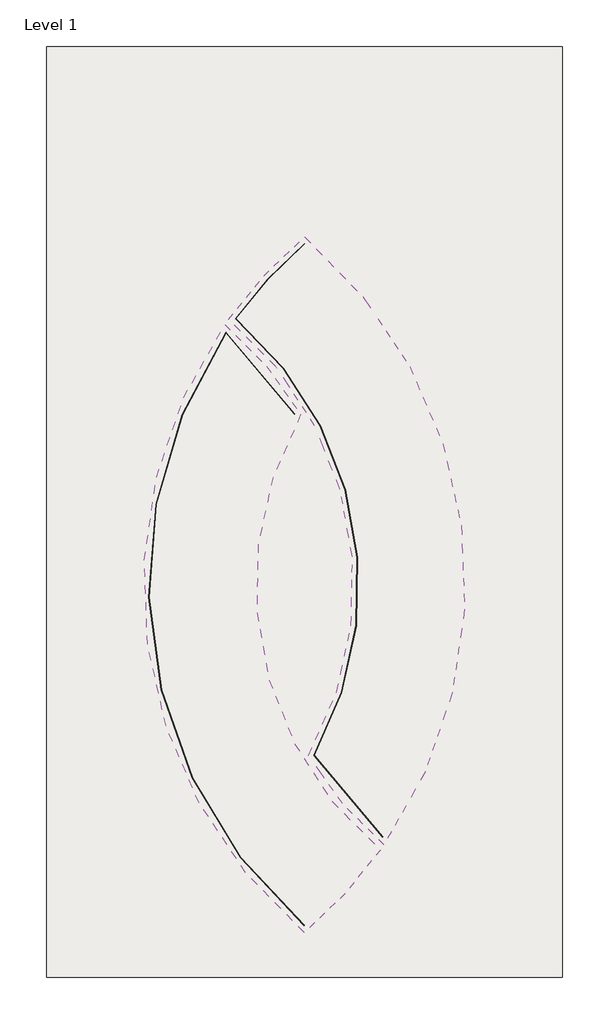
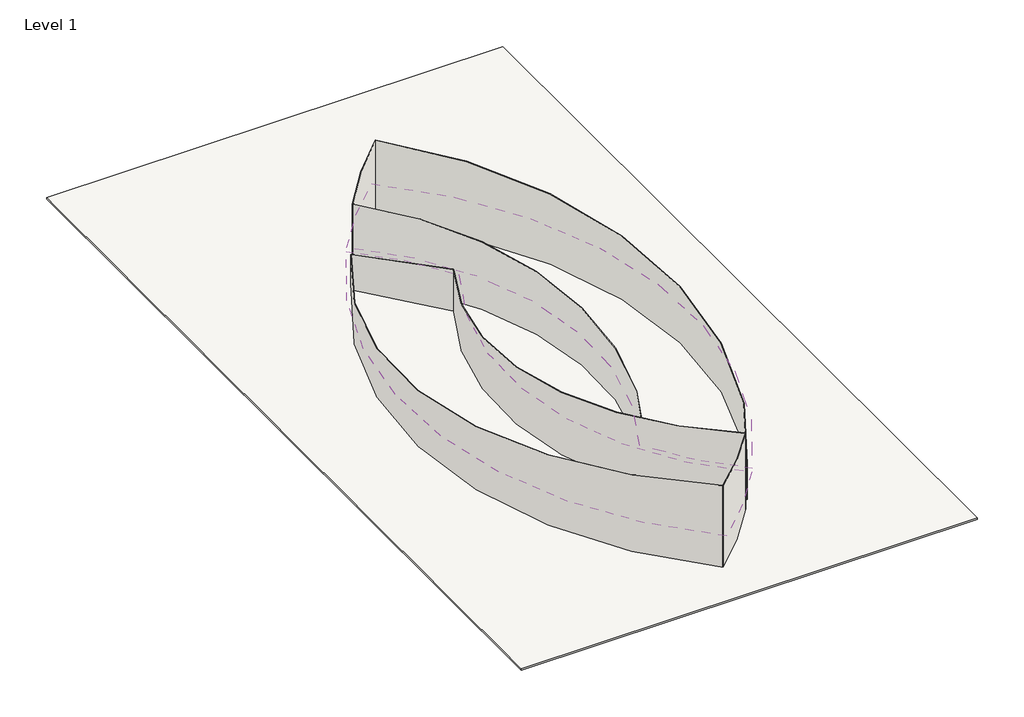
# One storey: 8 walls, 2 roofs, 1 slab.
"""IFC4 building model written with IfcOpenShell, lengths in millimetres."""

from ifc_helpers import new_model, si_unit, frame, origin, place, context, project, spatial, polyline, circle_curve, ellipse_curve, outline, extrude, element, save
from ifc_brep_helpers import plane_surface, cylinder_surface, revolved_surface, advanced_brep

model = new_model("IFC4")

# Units and contexts
model_context = context("Model", 3, world=origin())
ifc_project = project(units=[si_unit("LENGTHUNIT", "METRE", prefix="MILLI")], contexts=[model_context])

# Site, building, storey
site = spatial("IfcSite", under=ifc_project)
building = spatial("IfcBuilding", under=site)
storey = spatial("IfcBuildingStorey", under=building, Name="Level 1", Elevation=0.0)

# Roofs
placement = place(None, origin())
element("IfcRoof", 1, ObjectType="Pitched - Warm - Industrial", at=placement, inside=storey, context=model_context, shape_type="AdvancedBrep", body=[
    advanced_brep(
    [(31449.4598765, 6809.2415287, 12166.5920923), (40424.4720991, 16574.7448818, 11249.7442423), (31016.5940627, 68054.6696575, 6416.4799814), (22041.5818401, 78644.4572628, 5422.2430592), (40424.4720991, 16574.7448818, 10732.4794488), (31449.4598765, 6809.2415287, 11649.3272988), (22041.5818401, 78644.4572628, 4904.9782657), (31016.5940627, 68054.6696575, 5899.2151879)],
    [
        (0, 1, ellipse_curve(frame((-3478.9388007, 47917.2869204, 8307.1061374), z_axis=(0.0, 0.0934753169298822, 0.9956215973575796), x_axis=(0.0, 0.9956215973575796, -0.09347531692987955)), 54180.3827831, 53943.159252)),
        (1, 2, ellipse_curve(frame((66377.8585538, 47917.2869204, 8307.1061374), z_axis=(0.0, -0.0934753169298822, -0.9956215973575796), x_axis=(0.0, -0.9956215973575796, 0.09347531692987955)), 40872.1138231, 40693.159252)),
        (2, 3, ellipse_curve(frame((-3478.9388007, 47917.2869204, 8307.1061374), z_axis=(0.0, 0.0934753169298822, 0.9956215973575796), x_axis=(0.0, 0.9956215973575796, -0.09347531692987955)), 40118.8155801, 39943.159252)),
        (3, 0, ellipse_curve(frame((66377.8585538, 47917.2869204, 8307.1061374), z_axis=(0.0, 0.0934753169298822, 0.9956215973575796), x_axis=(0.0, 0.9956215973575796, -0.09347531692987955)), 54180.3827831, 53943.159252)),
        (4, 5, ellipse_curve(frame((-3478.9388007, 47917.2869204, 7789.8413439), z_axis=(0.0, -0.0934753169298822, -0.9956215973575796), x_axis=(0.0, 0.9956215973575796, -0.09347531692987955)), 54180.3827831, 53943.159252)),
        (5, 6, ellipse_curve(frame((66377.8585538, 47917.2869204, 7789.8413439), z_axis=(0.0, -0.0934753169298822, -0.9956215973575796), x_axis=(0.0, 0.9956215973575796, -0.09347531692987955)), 54180.3827831, 53943.159252)),
        (6, 7, ellipse_curve(frame((-3478.9388007, 47917.2869204, 7789.8413439), z_axis=(0.0, -0.0934753169298822, -0.9956215973575796), x_axis=(0.0, 0.9956215973575796, -0.09347531692987955)), 40118.8155801, 39943.159252)),
        (7, 4, ellipse_curve(frame((66377.8585538, 47917.2869204, 7789.8413439), z_axis=(0.0, 0.0934753169298822, 0.9956215973575796), x_axis=(0.0, -0.9956215973575796, 0.09347531692987955)), 40872.1138231, 40693.159252)),
        (4, 1),
        (0, 5),
        (3, 6),
        (7, 2),
    ],
    [
        plane_surface(frame((10163.1830232, 4345.2663733, 12397.9258231), z_axis=(0.0, 0.0934753169298822, 0.9956215973575796), x_axis=(1.0, 0.0, 0.0))),
        plane_surface(frame((10163.1830232, 96241.1398094, 3252.8892769), z_axis=(0.0, -0.0934753169298822, -0.9956215973575796), x_axis=(1.0, 0.0, 0.0))),
        cylinder_surface(frame((-3478.9388007, 47917.2869204, 2948.0892769), z_axis=(0.0, 0.0, -1.0), x_axis=(1.0, 0.0, 0.0)), 53943.159252),
        cylinder_surface(frame((66377.8585538, 47917.2869204, 2948.0892769), z_axis=(0.0, 0.0, -1.0), x_axis=(1.0, 0.0, 0.0)), 53943.159252),
        revolved_surface(polyline([(107071.0178058, 47917.2869204, 12127.639930608384), (107071.0178058, 47917.2869204, 3969.307550691616)]), (66377.8585538, 47917.2869204, 2948.0892769), (0.0, 0.0, 1.0)),
        cylinder_surface(frame((-3478.9388007, 47917.2869204, 2948.0892769), z_axis=(0.0, 0.0, -1.0), x_axis=(1.0, 0.0, 0.0)), 39943.159252),
    ],
    [
        (0, [[1, 2, 3, 4]]),
        (1, [[5, 6, 7, 8]]),
        (2, [[9, -1, 10, -5]]),
        (3, [[-10, -4, 11, -6]]),
        (4, [[-9, -8, 12, -2]]),
        (5, [[-12, -7, -11, -3]]),
    ],
),
])
element("IfcRoof", 2, ObjectType="Pitched - Warm - Industrial", at=placement, inside=storey, context=model_context, shape_type="AdvancedBrep", body=[
    advanced_brep(
    [(40857.337913, 17190.116578, 5413.1372539), (31449.4598765, 89025.3323121, 12157.486287), (22503.5916748, 79300.612683, 11244.4674736), (31911.4697113, 27730.062961, 6402.6947637), (31449.4598765, 89025.3323121, 11640.2214935), (40857.337913, 17190.116578, 4895.8724603), (31911.4697113, 27730.062961, 5885.4299701), (22503.5916748, 79300.612683, 10727.2026801)],
    [
        (0, 1, ellipse_curve(frame((-3478.9388007, 47917.2869204, 8298.0003321), z_axis=(0.0, -0.0934753169298822, 0.9956215973575796), x_axis=(0.0, -0.9956215973575796, -0.09347531692987955)), 54180.3827831, 53943.159252)),
        (1, 2, ellipse_curve(frame((66377.8585538, 47917.2869204, 8298.0003321), z_axis=(0.0, -0.0934753169298822, 0.9956215973575796), x_axis=(0.0, -0.9956215973575796, -0.09347531692987955)), 54180.3827831, 53943.159252)),
        (2, 3, ellipse_curve(frame((-3478.9388007, 47917.2869204, 8298.0003321), z_axis=(0.0, 0.0934753169298822, -0.9956215973575796), x_axis=(0.0, 0.9956215973575796, 0.09347531692987955)), 40922.333706, 40743.159252)),
        (3, 0, ellipse_curve(frame((66377.8585538, 47917.2869204, 8298.0003321), z_axis=(0.0, -0.0934753169298822, 0.9956215973575796), x_axis=(0.0, -0.9956215973575796, -0.09347531692987955)), 40118.8155801, 39943.159252)),
        (4, 5, ellipse_curve(frame((-3478.9388007, 47917.2869204, 7780.7355386), z_axis=(0.0, 0.0934753169298822, -0.9956215973575796), x_axis=(0.0, -0.9956215973575796, -0.09347531692987955)), 54180.3827831, 53943.159252)),
        (5, 6, ellipse_curve(frame((66377.8585538, 47917.2869204, 7780.7355386), z_axis=(0.0, 0.0934753169298822, -0.9956215973575796), x_axis=(0.0, -0.9956215973575796, -0.09347531692987955)), 40118.8155801, 39943.159252)),
        (6, 7, ellipse_curve(frame((-3478.9388007, 47917.2869204, 7780.7355386), z_axis=(0.0, -0.0934753169298822, 0.9956215973575796), x_axis=(0.0, 0.9956215973575796, 0.09347531692987955)), 40922.333706, 40743.159252)),
        (7, 4, ellipse_curve(frame((66377.8585538, 47917.2869204, 7780.7355386), z_axis=(0.0, 0.0934753169298822, -0.9956215973575796), x_axis=(0.0, -0.9956215973575796, -0.09347531692987955)), 54180.3827831, 53943.159252)),
        (4, 1),
        (0, 5),
        (3, 6),
        (2, 7),
    ],
    [
        plane_surface(frame((55327.8586934, 91586.2949581, 12397.9258231), z_axis=(0.0, -0.0934753169298822, 0.9956215973575796), x_axis=(-1.0, 0.0, 0.0))),
        plane_surface(frame((55327.8586934, -309.578478, 3252.8892769), z_axis=(0.0, 0.0934753169298822, -0.9956215973575796), x_axis=(-1.0, 0.0, 0.0))),
        cylinder_surface(frame((-3478.9388007, 47917.2869204, 2948.0892769), z_axis=(0.0, 0.0, -1.0), x_axis=(-1.0, 0.0, 0.0)), 53943.159252),
        cylinder_surface(frame((66377.8585538, 47917.2869204, 2948.0892769), z_axis=(0.0, 0.0, -1.0), x_axis=(-1.0, 0.0, 0.0)), 39943.159252),
        revolved_surface(polyline([(-44222.0980527, 47917.2869204, 12123.228444778642), (-44222.0980527, 47917.2869204, 3955.507425921358)]), (-3478.9388007, 47917.2869204, 2948.0892769), (0.0, 0.0, 1.0)),
        cylinder_surface(frame((66377.8585538, 47917.2869204, 2948.0892769), z_axis=(0.0, 0.0, -1.0), x_axis=(-1.0, 0.0, 0.0)), 53943.159252),
    ],
    [
        (0, [[1, 2, 3, 4]]),
        (1, [[5, 6, 7, 8]]),
        (2, [[9, -1, 10, -5]]),
        (3, [[-10, -4, 11, -6]]),
        (4, [[-11, -3, 12, -7]]),
        (5, [[-9, -8, -12, -2]]),
    ],
),
])

# Slab
element("IfcSlab", 3, at=placement, inside=storey, context=model_context, shape_type="SweptSolid", body=[
    extrude(outline(polyline([(61949.4598765, 111515.4320988), (61949.4598765, 1515.4320988), (949.4598765, 1515.4320988), (949.4598765, 111515.4320988), (61949.4598765, 111515.4320988)])), frame((0.0, 0.0, -225.0), z_axis=(0.0, 0.0, 1.0), x_axis=(1.0, 0.0, 0.0)), (0.0, 0.0, 1.0), 225.0),
])

# Walls
element("IfcWall", 4, ObjectType="Partn - 215- Block", at=placement, inside=storey, context=model_context, shape_type="AdvancedBrep", body=[
    advanced_brep(
    [(23325.44142, 79328.2754753, 0.0), (23287.2789496, 79360.8011698, 0.0), (31449.4598765, 88234.7720209, 0.0), (31487.622347, 88201.6789412, 0.0), (31449.4572638, 88168.5925194, 0.0), (23355.0169519, 79368.7720949, 0.0), (31487.622347, 88201.6789412, 11562.8916524), (31449.4598765, 88168.5948358, 11559.7855052), (23355.0148909, 79368.7693372, 10733.6016623), (23325.44142, 79328.2754753, 10729.7998398), (23287.2789496, 79360.8011698, 10732.8535598), (31449.4598765, 88234.7720209, 11565.9986421)],
    [
        (0, 1, circle_curve(frame((-3478.9388007, 47917.2869204, 0.0), z_axis=(0.0, 0.0, 1.0), x_axis=(-0.9846080173451077, 0.17477715005038907, 0.0)), 41293.159252)),
        (1, 2, circle_curve(frame((66377.8585538, 47917.2869204, 0.0), z_axis=(0.0, 0.0, -1.0), x_axis=(0.9846080173451077, -0.17477715005038907, 0.0)), 53343.159252)),
        (2, 3, circle_curve(frame((-3478.9388007, 47917.2869204, 0.0), z_axis=(0.0, 0.0, -1.0), x_axis=(-0.9846080173451077, 0.17477715005038907, 0.0)), 53343.159252)),
        (3, 4, circle_curve(frame((66377.8585538, 47917.2869204, 0.0), z_axis=(0.0, 0.0, 1.0), x_axis=(0.9846080173451077, -0.17477715005038907, 0.0)), 53293.159252)),
        (4, 5, circle_curve(frame((66377.8585538, 47917.2869204, 0.0), z_axis=(0.0, 0.0, 1.0), x_axis=(0.9846080173451077, -0.17477715005038907, 0.0)), 53293.1592149)),
        (5, 0, circle_curve(frame((66377.8585538, 47917.2869204, 0.0), z_axis=(0.0, 0.0, 1.0), x_axis=(0.9846080173451077, -0.17477715005038907, 0.0)), 53293.1592156)),
        (6, 7, ellipse_curve(frame((66377.8585538, 47917.2869204, 7780.7355386), z_axis=(0.0, -0.0934753169298822, 0.9956215973575796), x_axis=(0.0, -0.9956215973575796, -0.09347531692987955)), 53527.5243058, 53293.159252)),
        (7, 8, ellipse_curve(frame((66377.8585538, 47917.2869204, 7780.7355386), z_axis=(0.0, -0.0934753169298822, 0.9956215973575796), x_axis=(0.0, -0.9956215973575796, -0.09347531692987955)), 53527.5243058, 53293.159252)),
        (8, 9, ellipse_curve(frame((66377.8585538, 47917.2869204, 7780.7355386), z_axis=(0.0, -0.0934753169298822, 0.9956215973575796), x_axis=(0.0, -0.9956215973575796, -0.09347531692987955)), 53527.5243058, 53293.159252)),
        (9, 0),
        (3, 6),
        (10, 11, ellipse_curve(frame((66377.8585538, 47917.2869204, 7780.7355386), z_axis=(0.0, 0.0934753169298822, -0.9956215973575796), x_axis=(0.0, 0.9956215973575796, 0.09347531692987955)), 53577.7441887, 53343.159252)),
        (11, 2),
        (1, 10),
        (11, 6, ellipse_curve(frame((-3478.9388007, 47917.2869204, 7780.7355386), z_axis=(0.0, 0.0934753169298822, -0.9956215973575796), x_axis=(0.0, 0.9956215973575796, 0.09347531692987955)), 53577.7441887, 53343.159252)),
        (9, 10, ellipse_curve(frame((-3478.9388007, 47917.2869204, 7780.7355386), z_axis=(0.0, -0.0934753169298822, 0.9956215973575796), x_axis=(0.0, -0.9956215973575796, -0.09347531692987955)), 41474.7524176, 41293.159252)),
    ],
    [
        plane_surface(frame((118850.730423, 38602.8604292, 0.0), z_axis=(0.0, 0.0, -1.0000000000000002), x_axis=(0.17477715005038907, 0.9846080173451077, 0.0))),
        revolved_surface(polyline([(118850.7304229688, 38602.860429153916, 0.0), (118850.7304229688, 38602.860429153916, 12784.237837556491)]), (66377.8585538, 47917.2869204, 0.0), (0.0, 0.0, -1.0000000000000002)),
        cylinder_surface(frame((66377.8585538, 47917.2869204, 0.0), z_axis=(0.0, 0.0, 1.0000000000000002), x_axis=(0.9846080173451077, -0.17477715005038907, 0.0)), 53343.159252),
        cylinder_surface(frame((-3478.9388007, 47917.2869204, 0.0), z_axis=(0.0, 0.0, 1.0000000000000002), x_axis=(-0.9846080173451077, 0.17477715005038907, 0.0)), 53343.159252),
        revolved_surface(polyline([(-44136.51446172751, 55134.38761104142, 0.0), (-44136.51446172751, 55134.38761104142, 11657.601165423452)]), (-3478.9388007, 47917.2869204, 0.0), (0.0, 0.0, -1.0000000000000002)),
        plane_surface(frame((55327.8586934, -309.578478, 3252.8892769), z_axis=(0.0, -0.0934753169298822, 0.9956215973575796), x_axis=(-1.0, 0.0, 0.0))),
    ],
    [
        (0, [[1, 2, 3, 4, 5, 6]]),
        (1, [[7, 8, 9, 10, -6, -5, -4, 11]]),
        (2, [[12, 13, -2, 14]]),
        (3, [[15, -11, -3, -13]]),
        (4, [[16, -14, -1, -10]]),
        (5, [[-9, -8, -7, -15, -12, -16]]),
    ],
),
])
element("IfcWall", 5, ObjectType="Partn - 215- Block", at=placement, inside=storey, context=model_context, shape_type="AdvancedBrep", body=[
    advanced_brep(
    [(31449.4598765, 7665.979005, 0.0), (31411.2974061, 7632.8948996, 0.0), (22161.8278336, 77757.4488893, 0.0), (22199.990304, 77724.6145424, 0.0), (22171.8463372, 77682.8593617, 0.0), (22199.990304, 77724.6145424, 4991.3389774), (22171.848333, 77682.8623965, 4995.2589357), (31449.4598765, 7665.979005, 11568.8913105), (31411.2974061, 7632.8948996, 11571.9974577), (22161.8278336, 77757.4488893, 4988.2562792)],
    [
        (0, 1, circle_curve(frame((-3478.9388007, 47917.2869204, 0.0), z_axis=(0.0, 0.0, -1.0), x_axis=(-0.9846080173451077, 0.17477715005038907, 0.0)), 53293.159252)),
        (1, 2, circle_curve(frame((66377.8585538, 47917.2869204, 0.0), z_axis=(0.0, 0.0, -1.0), x_axis=(0.9846080173451077, -0.17477715005038907, 0.0)), 53343.159252)),
        (2, 3, circle_curve(frame((-3478.9388007, 47917.2869204, 0.0), z_axis=(0.0, 0.0, -1.0), x_axis=(-0.9846080173451077, 0.17477715005038907, 0.0)), 39343.159252)),
        (3, 4, circle_curve(frame((66377.8585538, 47917.2869204, 0.0), z_axis=(0.0, 0.0, 1.0), x_axis=(0.9846080173451077, -0.17477715005038907, 0.0)), 53293.159252)),
        (4, 0, circle_curve(frame((66377.8585538, 47917.2869204, 0.0), z_axis=(0.0, 0.0, 1.0), x_axis=(0.9846080173451077, -0.17477715005038907, 0.0)), 53293.1592125)),
        (5, 6, ellipse_curve(frame((66377.8585538, 47917.2869204, 7789.8413439), z_axis=(0.0, 0.0934753169298822, 0.9956215973575796), x_axis=(0.0, 0.9956215973575796, -0.09347531692987955)), 53527.5243058, 53293.159252)),
        (6, 7, ellipse_curve(frame((66377.8585538, 47917.2869204, 7789.8413439), z_axis=(0.0, 0.0934753169298822, 0.9956215973575796), x_axis=(0.0, 0.9956215973575796, -0.09347531692987955)), 53527.5243058, 53293.159252)),
        (7, 0),
        (3, 5),
        (8, 9, ellipse_curve(frame((66377.8585538, 47917.2869204, 7789.8413439), z_axis=(0.0, -0.0934753169298822, -0.9956215973575796), x_axis=(0.0, -0.9956215973575796, 0.09347531692987955)), 53577.7441887, 53343.159252)),
        (9, 2),
        (1, 8),
        (7, 8, ellipse_curve(frame((-3478.9388007, 47917.2869204, 7789.8413439), z_axis=(0.0, -0.0934753169298822, -0.9956215973575796), x_axis=(0.0, 0.9956215973575796, -0.09347531692987955)), 53527.5243058, 53293.159252)),
        (9, 5, ellipse_curve(frame((-3478.9388007, 47917.2869204, 7789.8413439), z_axis=(0.0, -0.0934753169298822, -0.9956215973575796), x_axis=(0.0, -0.9956215973575796, 0.09347531692987955)), 39516.1769857, 39343.159252)),
    ],
    [
        plane_surface(frame((118850.730423, 38602.8604292, 0.0), z_axis=(0.0, 0.0, -1.0000000000000002), x_axis=(0.17477715005038907, 0.9846080173451077, 0.0))),
        revolved_surface(polyline([(118850.7304229688, 38602.860429153916, 0.0), (118850.7304229688, 38602.860429153916, 12793.343642856493)]), (66377.8585538, 47917.2869204, 0.0), (0.0, 0.0, -1.0000000000000002)),
        cylinder_surface(frame((66377.8585538, 47917.2869204, 0.0), z_axis=(0.0, 0.0, 1.0000000000000002), x_axis=(0.9846080173451077, -0.17477715005038907, 0.0)), 53343.159252),
        cylinder_surface(frame((-3478.9388007, 47917.2869204, 0.0), z_axis=(0.0, 0.0, -1.0000000000000002), x_axis=(-0.9846080173451077, 0.17477715005038907, 0.0)), 53293.159252),
        cylinder_surface(frame((-3478.9388007, 47917.2869204, 0.0), z_axis=(0.0, 0.0, 1.0000000000000002), x_axis=(-0.9846080173451077, 0.17477715005038907, 0.0)), 39343.159252),
        plane_surface(frame((10163.1830232, 96241.1398094, 3252.8892769), z_axis=(0.0, 0.0934753169298822, 0.9956215973575796), x_axis=(1.0, 0.0, 0.0))),
    ],
    [
        (0, [[1, 2, 3, 4, 5]]),
        (1, [[6, 7, 8, -5, -4, 9]]),
        (2, [[10, 11, -2, 12]]),
        (3, [[13, -12, -1, -8]]),
        (4, [[14, -9, -3, -11]]),
        (5, [[-7, -6, -14, -10, -13]]),
    ],
),
])
element("IfcWall", 6, ObjectType="Partn - 215- Block", at=placement, inside=storey, context=model_context, shape_type="AdvancedBrep", body=[
    advanced_brep(
    [(39611.6408035, 16473.772671, 0.0), (39582.0673326, 16433.284796, 0.0), (39543.9014432, 16465.8074932, 0.0), (30266.2908649, 68047.152565, 0.0), (30294.4352897, 68097.5590315, 0.0), (30324.0087606, 68047.9827876, 0.0), (30324.0087606, 68047.9827876, 5899.8429939), (39611.6408035, 16473.772671, 10741.9593651), (39582.0673326, 16433.284796, 10745.7606255), (39543.9048622, 16465.8045036, 10742.7074676), (30266.2933187, 68047.1570941, 5899.9205153), (30294.4352897, 68097.5590315, 5895.1884594)],
    [
        (0, 1, circle_curve(frame((-3478.9388007, 47917.2869204, 0.0), z_axis=(0.0, 0.0, -1.0), x_axis=(-0.9846080173451077, 0.17477715005038907, 0.0)), 53343.159252)),
        (1, 2, circle_curve(frame((66377.8585538, 47917.2869204, 0.0), z_axis=(0.0, 0.0, -1.0), x_axis=(0.9846080173451077, -0.17477715005038907, 0.0)), 41343.159252)),
        (2, 3, circle_curve(frame((66377.8585538, 47917.2869204, 0.0), z_axis=(0.0, 0.0, -1.0), x_axis=(0.9846080173451077, -0.17477715005038907, 0.0)), 41343.1591969)),
        (3, 4, circle_curve(frame((66377.8585538, 47917.2869204, 0.0), z_axis=(0.0, 0.0, -1.0), x_axis=(0.9846080173451077, -0.17477715005038907, 0.0)), 41343.1591901)),
        (4, 5, circle_curve(frame((-3478.9388007, 47917.2869204, 0.0), z_axis=(0.0, 0.0, -1.0), x_axis=(-0.9846080173451077, 0.17477715005038907, 0.0)), 39343.159252)),
        (5, 0, circle_curve(frame((66377.8585538, 47917.2869204, 0.0), z_axis=(0.0, 0.0, 1.0), x_axis=(0.9846080173451077, -0.17477715005038907, 0.0)), 41293.159252)),
        (6, 7, ellipse_curve(frame((66377.8585538, 47917.2869204, 7789.8413439), z_axis=(0.0, 0.0934753169298822, 0.9956215973575796), x_axis=(0.0, 0.9956215973575796, -0.09347531692987955)), 41474.7524176, 41293.159252)),
        (7, 0),
        (5, 6),
        (8, 9, ellipse_curve(frame((66377.8585538, 47917.2869204, 7789.8413439), z_axis=(0.0, -0.0934753169298822, -0.9956215973575796), x_axis=(0.0, -0.9956215973575796, 0.09347531692987955)), 41524.9723004, 41343.159252)),
        (9, 10, ellipse_curve(frame((66377.8585538, 47917.2869204, 7789.8413439), z_axis=(0.0, -0.0934753169298822, -0.9956215973575796), x_axis=(0.0, -0.9956215973575796, 0.09347531692987955)), 41524.9723004, 41343.159252)),
        (10, 11, ellipse_curve(frame((66377.8585538, 47917.2869204, 7789.8413439), z_axis=(0.0, -0.0934753169298822, -0.9956215973575796), x_axis=(0.0, -0.9956215973575796, 0.09347531692987955)), 41524.9723004, 41343.159252)),
        (11, 4),
        (1, 8),
        (6, 11, ellipse_curve(frame((-3478.9388007, 47917.2869204, 7789.8413439), z_axis=(0.0, 0.0934753169298822, 0.9956215973575796), x_axis=(0.0, -0.9956215973575796, 0.09347531692987955)), 39516.1769857, 39343.159252)),
        (8, 7, ellipse_curve(frame((-3478.9388007, 47917.2869204, 7789.8413439), z_axis=(0.0, 0.0934753169298822, 0.9956215973575796), x_axis=(0.0, -0.9956215973575796, 0.09347531692987955)), 53577.7441887, 53343.159252)),
    ],
    [
        plane_surface(frame((107035.4342148, 40700.1862298, 0.0), z_axis=(0.0, 0.0, -1.0000000000000002), x_axis=(0.17477715005038907, 0.9846080173451077, 0.0))),
        revolved_surface(polyline([(107035.43421482752, 40700.18622975858, 0.0), (107035.43421482752, 40700.18622975858, 11666.706970723451)]), (66377.8585538, 47917.2869204, 0.0), (0.0, 0.0, -1.0000000000000002)),
        cylinder_surface(frame((66377.8585538, 47917.2869204, 0.0), z_axis=(0.0, 0.0, 1.0000000000000002), x_axis=(0.9846080173451077, -0.17477715005038907, 0.0)), 41343.159252),
        plane_surface(frame((10163.1830232, 96241.1398094, 3252.8892769), z_axis=(0.0, 0.0934753169298822, 0.9956215973575796), x_axis=(1.0, 0.0, 0.0))),
        cylinder_surface(frame((-3478.9388007, 47917.2869204, 0.0), z_axis=(0.0, 0.0, 1.0000000000000002), x_axis=(-0.9846080173451077, 0.17477715005038907, 0.0)), 39343.159252),
        cylinder_surface(frame((-3478.9388007, 47917.2869204, 0.0), z_axis=(0.0, 0.0, 1.0000000000000002), x_axis=(-0.9846080173451077, 0.17477715005038907, 0.0)), 53343.159252),
    ],
    [
        (0, [[1, 2, 3, 4, 5, 6]]),
        (1, [[7, 8, -6, 9]]),
        (2, [[10, 11, 12, 13, -4, -3, -2, 14]]),
        (3, [[-7, 15, -12, -11, -10, 16]]),
        (4, [[-15, -9, -5, -13]]),
        (5, [[-16, -14, -1, -8]]),
    ],
),
])
element("IfcWall", 7, ObjectType="Partn - 215- Block", at=placement, inside=storey, context=model_context, shape_type="AdvancedBrep", body=[
    advanced_brep(
    [(32604.4844634, 27737.0148093, 0.0), (32574.9109925, 27786.5910532, 0.0), (23325.44142, 79328.2754753, 0.0), (23355.0148909, 79368.7693372, 0.0), (32632.6288837, 27787.4212673, 0.0), (23355.0148909, 79368.7693372, 10733.6016623), (32632.6264344, 27787.4167468, 5890.81471), (32604.4844634, 27737.0148093, 5886.0826541), (32574.9109925, 27786.5910532, 5890.7371886), (23325.44142, 79328.2754753, 10729.7998398)],
    [
        (0, 1, circle_curve(frame((66377.8585538, 47917.2869204, 0.0), z_axis=(0.0, 0.0, -1.0), x_axis=(0.9846080173451077, -0.17477715005038907, 0.0)), 39343.159252)),
        (1, 2, circle_curve(frame((-3478.9388007, 47917.2869204, 0.0), z_axis=(0.0, 0.0, 1.0), x_axis=(-0.9846080173451077, 0.17477715005038907, 0.0)), 41293.159252)),
        (2, 3, circle_curve(frame((66377.8585538, 47917.2869204, 0.0), z_axis=(0.0, 0.0, -1.0), x_axis=(0.9846080173451077, -0.17477715005038907, 0.0)), 53293.159252)),
        (3, 4, circle_curve(frame((-3478.9388007, 47917.2869204, 0.0), z_axis=(0.0, 0.0, -1.0), x_axis=(-0.9846080173451077, 0.17477715005038907, 0.0)), 41343.159252)),
        (4, 0, circle_curve(frame((-3478.9388007, 47917.2869204, 0.0), z_axis=(0.0, 0.0, -1.0), x_axis=(-0.9846080173451077, 0.17477715005038907, 0.0)), 41343.1591903)),
        (5, 6, ellipse_curve(frame((-3478.9388007, 47917.2869204, 7780.7355386), z_axis=(0.0, 0.0934753169298822, -0.9956215973575796), x_axis=(0.0, 0.9956215973575796, 0.09347531692987955)), 41524.9723004, 41343.159252)),
        (6, 7, ellipse_curve(frame((-3478.9388007, 47917.2869204, 7780.7355386), z_axis=(0.0, 0.0934753169298822, -0.9956215973575796), x_axis=(0.0, 0.9956215973575796, 0.09347531692987955)), 41524.9723004, 41343.159252)),
        (7, 0),
        (3, 5),
        (8, 9, ellipse_curve(frame((-3478.9388007, 47917.2869204, 7780.7355386), z_axis=(0.0, -0.0934753169298822, 0.9956215973575796), x_axis=(0.0, -0.9956215973575796, -0.09347531692987955)), 41474.7524176, 41293.159252)),
        (9, 2),
        (1, 8),
        (9, 5, ellipse_curve(frame((66377.8585538, 47917.2869204, 7780.7355386), z_axis=(0.0, 0.0934753169298822, -0.9956215973575796), x_axis=(0.0, -0.9956215973575796, -0.09347531692987955)), 53527.5243058, 53293.159252)),
        (7, 8, ellipse_curve(frame((66377.8585538, 47917.2869204, 7780.7355386), z_axis=(0.0, 0.0934753169298822, -0.9956215973575796), x_axis=(0.0, 0.9956215973575796, 0.09347531692987955)), 39516.1769857, 39343.159252)),
    ],
    [
        plane_surface(frame((-44185.7448626, 55143.1264685, 0.0), z_axis=(0.0, 0.0, -1.0000000000000002), x_axis=(0.1747771500503891, 0.9846080173451077, 0.0))),
        cylinder_surface(frame((-3478.9388007, 47917.2869204, 0.0), z_axis=(0.0, 0.0, 1.0000000000000002), x_axis=(-0.9846080173451077, 0.17477715005038907, 0.0)), 41343.159252),
        revolved_surface(polyline([(-44136.51446172751, 55134.38761104142, 0.0), (-44136.51446172751, 55134.38761104142, 11657.601165423452)]), (-3478.9388007, 47917.2869204, 0.0), (0.0, 0.0, -1.0000000000000002)),
        cylinder_surface(frame((66377.8585538, 47917.2869204, 0.0), z_axis=(0.0, 0.0, -1.0000000000000002), x_axis=(0.9846080173451077, -0.17477715005038907, 0.0)), 53293.159252),
        cylinder_surface(frame((66377.8585538, 47917.2869204, 0.0), z_axis=(0.0, 0.0, 1.0000000000000002), x_axis=(0.9846080173451077, -0.17477715005038907, 0.0)), 39343.159252),
        plane_surface(frame((55327.8586934, -309.578478, 3252.8892769), z_axis=(0.0, -0.0934753169298822, 0.9956215973575796), x_axis=(-1.0, 0.0, 0.0))),
    ],
    [
        (0, [[1, 2, 3, 4, 5]]),
        (1, [[6, 7, 8, -5, -4, 9]]),
        (2, [[10, 11, -2, 12]]),
        (3, [[13, -9, -3, -11]]),
        (4, [[14, -12, -1, -8]]),
        (5, [[-7, -6, -13, -10, -14]]),
    ],
),
])
element("IfcWall", 8, ObjectType="Partn - 215- Block", at=placement, inside=storey, context=model_context, shape_type="AdvancedBrep", body=[
    advanced_brep(
    [(40737.0919195, 18077.1249515, 0.0), (40698.9294491, 18109.9592985, 0.0), (40727.0734159, 18151.7144791, 0.0), (31449.4598765, 88168.5948358, 0.0), (31487.622347, 88201.6789412, 0.0), (31487.622347, 88201.6789412, 11562.8916524), (40737.0919195, 18077.1249515, 4979.1504739), (40698.9294491, 18109.9592985, 4982.2331721), (40727.07142, 18151.7114444, 4986.1531304), (31449.4598765, 88168.5948358, 11559.7855052)],
    [
        (0, 1, circle_curve(frame((66377.8585538, 47917.2869204, 0.0), z_axis=(0.0, 0.0, -1.0), x_axis=(0.9846080173451077, -0.17477715005038907, 0.0)), 39343.159252)),
        (1, 2, circle_curve(frame((-3478.9388007, 47917.2869204, 0.0), z_axis=(0.0, 0.0, 1.0), x_axis=(-0.9846080173451077, 0.17477715005038907, 0.0)), 53293.159252)),
        (2, 3, circle_curve(frame((-3478.9388007, 47917.2869204, 0.0), z_axis=(0.0, 0.0, 1.0), x_axis=(-0.9846080173451077, 0.17477715005038907, 0.0)), 53293.1592125)),
        (3, 4, circle_curve(frame((66377.8585538, 47917.2869204, 0.0), z_axis=(0.0, 0.0, -1.0), x_axis=(0.9846080173451077, -0.17477715005038907, 0.0)), 53293.159252)),
        (4, 0, circle_curve(frame((-3478.9388007, 47917.2869204, 0.0), z_axis=(0.0, 0.0, -1.0), x_axis=(-0.9846080173451077, 0.17477715005038907, 0.0)), 53343.159252)),
        (5, 6, ellipse_curve(frame((-3478.9388007, 47917.2869204, 7780.7355386), z_axis=(0.0, 0.0934753169298822, -0.9956215973575796), x_axis=(0.0, 0.9956215973575796, 0.09347531692987955)), 53577.7441887, 53343.159252)),
        (6, 0),
        (4, 5),
        (7, 8, ellipse_curve(frame((-3478.9388007, 47917.2869204, 7780.7355386), z_axis=(0.0, -0.0934753169298822, 0.9956215973575796), x_axis=(0.0, -0.9956215973575796, -0.09347531692987955)), 53527.5243058, 53293.159252)),
        (8, 9, ellipse_curve(frame((-3478.9388007, 47917.2869204, 7780.7355386), z_axis=(0.0, -0.0934753169298822, 0.9956215973575796), x_axis=(0.0, -0.9956215973575796, -0.09347531692987955)), 53527.5243058, 53293.159252)),
        (9, 3),
        (1, 7),
        (9, 5, ellipse_curve(frame((66377.8585538, 47917.2869204, 7780.7355386), z_axis=(0.0, 0.0934753169298822, -0.9956215973575796), x_axis=(0.0, -0.9956215973575796, -0.09347531692987955)), 53527.5243058, 53293.159252)),
        (6, 7, ellipse_curve(frame((66377.8585538, 47917.2869204, 7780.7355386), z_axis=(0.0, 0.0934753169298822, -0.9956215973575796), x_axis=(0.0, 0.9956215973575796, 0.09347531692987955)), 39516.1769857, 39343.159252)),
    ],
    [
        plane_surface(frame((-56001.0410707, 57240.4522692, 0.0), z_axis=(0.0, 0.0, -1.0000000000000002), x_axis=(0.17477715005038907, 0.9846080173451077, 0.0))),
        cylinder_surface(frame((-3478.9388007, 47917.2869204, 0.0), z_axis=(0.0, 0.0, 1.0000000000000002), x_axis=(-0.9846080173451077, 0.17477715005038907, 0.0)), 53343.159252),
        revolved_surface(polyline([(-55951.810669868806, 57231.71341164609, 0.0), (-55951.810669868806, 57231.71341164609, 12784.237837556491)]), (-3478.9388007, 47917.2869204, 0.0), (0.0, 0.0, -1.0000000000000002)),
        cylinder_surface(frame((66377.8585538, 47917.2869204, 0.0), z_axis=(0.0, 0.0, -1.0000000000000002), x_axis=(0.9846080173451077, -0.17477715005038907, 0.0)), 53293.159252),
        cylinder_surface(frame((66377.8585538, 47917.2869204, 0.0), z_axis=(0.0, 0.0, 1.0000000000000002), x_axis=(0.9846080173451077, -0.17477715005038907, 0.0)), 39343.159252),
        plane_surface(frame((55327.8586934, -309.578478, 3252.8892769), z_axis=(0.0, -0.0934753169298822, 0.9956215973575796), x_axis=(-1.0, 0.0, 0.0))),
    ],
    [
        (0, [[1, 2, 3, 4, 5]]),
        (1, [[6, 7, -5, 8]]),
        (2, [[9, 10, 11, -3, -2, 12]]),
        (3, [[13, -8, -4, -11]]),
        (4, [[14, -12, -1, -7]]),
        (5, [[-6, -13, -10, -9, -14]]),
    ],
),
])
element("IfcWall", 9, ObjectType="Partn - 215- Block", at=placement, inside=storey, context=model_context, shape_type="AdvancedBrep", body=[
    advanced_brep(
    [(31449.4598765, 7599.80182, 0.0), (31411.2974061, 7632.8948996, 0.0), (31449.4624667, 7665.9813011, 0.0), (39543.9048622, 16465.8045036, 0.0), (39582.0673326, 16433.284796, 0.0), (39582.0673326, 16433.284796, 10745.7606255), (31449.4598765, 7599.80182, 11575.1044474), (31411.2974061, 7632.8948996, 11571.9974577), (31449.4598765, 7665.979005, 11568.8913105), (39543.9048622, 16465.8045036, 10742.7074676)],
    [
        (0, 1, circle_curve(frame((66377.8585538, 47917.2869204, 0.0), z_axis=(0.0, 0.0, -1.0), x_axis=(0.9846080173451077, -0.17477715005038907, 0.0)), 53343.159252)),
        (1, 2, circle_curve(frame((-3478.9388007, 47917.2869204, 0.0), z_axis=(0.0, 0.0, 1.0), x_axis=(-0.9846080173451077, 0.17477715005038907, 0.0)), 53293.159252)),
        (2, 3, circle_curve(frame((-3478.9388007, 47917.2869204, 0.0), z_axis=(0.0, 0.0, 1.0), x_axis=(-0.9846080173451077, 0.17477715005038907, 0.0)), 53293.1592154)),
        (3, 4, circle_curve(frame((66377.8585538, 47917.2869204, 0.0), z_axis=(0.0, 0.0, 1.0), x_axis=(0.9846080173451077, -0.17477715005038907, 0.0)), 41343.159252)),
        (4, 0, circle_curve(frame((-3478.9388007, 47917.2869204, 0.0), z_axis=(0.0, 0.0, -1.0), x_axis=(-0.9846080173451077, 0.17477715005038907, 0.0)), 53343.159252)),
        (5, 6, ellipse_curve(frame((-3478.9388007, 47917.2869204, 7789.8413439), z_axis=(0.0, -0.0934753169298822, -0.9956215973575796), x_axis=(0.0, -0.9956215973575796, 0.09347531692987955)), 53577.7441887, 53343.159252)),
        (6, 0),
        (4, 5),
        (7, 8, ellipse_curve(frame((-3478.9388007, 47917.2869204, 7789.8413439), z_axis=(0.0, 0.0934753169298822, 0.9956215973575796), x_axis=(0.0, 0.9956215973575796, -0.09347531692987955)), 53527.5243058, 53293.159252)),
        (8, 9, ellipse_curve(frame((-3478.9388007, 47917.2869204, 7789.8413439), z_axis=(0.0, 0.0934753169298822, 0.9956215973575796), x_axis=(0.0, 0.9956215973575796, -0.09347531692987955)), 53527.5243058, 53293.159252)),
        (9, 3),
        (1, 7),
        (6, 7, ellipse_curve(frame((66377.8585538, 47917.2869204, 7789.8413439), z_axis=(0.0, -0.0934753169298822, -0.9956215973575796), x_axis=(0.0, -0.9956215973575796, 0.09347531692987955)), 53577.7441887, 53343.159252)),
        (9, 5, ellipse_curve(frame((66377.8585538, 47917.2869204, 7789.8413439), z_axis=(0.0, 0.0934753169298822, 0.9956215973575796), x_axis=(0.0, -0.9956215973575796, 0.09347531692987955)), 41524.9723004, 41343.159252)),
    ],
    [
        plane_surface(frame((-56001.0410707, 57240.4522692, 0.0), z_axis=(0.0, 0.0, -1.0000000000000002), x_axis=(0.17477715005038907, 0.9846080173451077, 0.0))),
        cylinder_surface(frame((-3478.9388007, 47917.2869204, 0.0), z_axis=(0.0, 0.0, 1.0000000000000002), x_axis=(-0.9846080173451077, 0.17477715005038907, 0.0)), 53343.159252),
        revolved_surface(polyline([(-55951.810669868806, 57231.71341164609, 0.0), (-55951.810669868806, 57231.71341164609, 12793.343642856493)]), (-3478.9388007, 47917.2869204, 0.0), (0.0, 0.0, -1.0000000000000002)),
        cylinder_surface(frame((66377.8585538, 47917.2869204, 0.0), z_axis=(0.0, 0.0, 1.0000000000000002), x_axis=(0.9846080173451077, -0.17477715005038907, 0.0)), 53343.159252),
        revolved_surface(polyline([(107084.66461569477, 40691.447372256065, 11671.401290184363), (107084.66461569477, 40691.447372256065, 0.0)]), (66377.8585538, 47917.2869204, 0.0), (0.0, 0.0, 1.0000000000000002)),
        plane_surface(frame((10163.1830232, 96241.1398094, 3252.8892769), z_axis=(0.0, 0.0934753169298822, 0.9956215973575796), x_axis=(1.0, 0.0, 0.0))),
    ],
    [
        (0, [[1, 2, 3, 4, 5]]),
        (1, [[6, 7, -5, 8]]),
        (2, [[9, 10, 11, -3, -2, 12]]),
        (3, [[13, -12, -1, -7]]),
        (4, [[14, -8, -4, -11]]),
        (5, [[-6, -14, -10, -9, -13]]),
    ],
),
])
element("IfcWall", 10, ObjectType="Partn - 215- Block", at=placement, inside=storey, context=model_context, shape_type="AdvancedBrep", body=[
    advanced_brep(
    [(22199.990304, 77724.6145424, 0.0), (30294.4352897, 68097.5590315, 0.0), (30266.2933187, 68047.1570941, 0.0), (22171.848333, 77682.8623965, 0.0), (22199.990304, 77724.6145424, 4991.3389774), (30294.4352897, 68097.5590315, 5895.1884594), (30266.2933187, 68047.1570941, 5899.9205153), (22171.848333, 77682.8623965, 4995.2589357)],
    [
        (0, 1, circle_curve(frame((-3478.9388007, 47917.2869204, 0.0), z_axis=(0.0, 0.0, -1.0), x_axis=(-0.9846080173451077, 0.17477715005038907, 0.0)), 39343.159252)),
        (1, 2, circle_curve(frame((66377.8585538, 47917.2869204, 0.0), z_axis=(0.0, 0.0, 1.0), x_axis=(0.9846080173451077, -0.17477715005038907, 0.0)), 41343.159252)),
        (2, 3, circle_curve(frame((-3478.9388007, 47917.2869204, 0.0), z_axis=(0.0, 0.0, 1.0), x_axis=(-0.9846080173451077, 0.17477715005038907, 0.0)), 39293.159252)),
        (3, 0, circle_curve(frame((66377.8585538, 47917.2869204, 0.0), z_axis=(0.0, 0.0, -1.0), x_axis=(0.9846080173451077, -0.17477715005038907, 0.0)), 53293.159252)),
        (0, 4),
        (4, 5, ellipse_curve(frame((-3478.9388007, 47917.2869204, 7789.8413439), z_axis=(0.0, -0.0934753169298822, -0.9956215973575796), x_axis=(0.0, -0.9956215973575796, 0.09347531692987955)), 39516.1769857, 39343.159252)),
        (5, 1),
        (2, 6),
        (6, 7, ellipse_curve(frame((-3478.9388007, 47917.2869204, 7789.8413439), z_axis=(0.0, 0.0934753169298822, 0.9956215973575796), x_axis=(0.0, 0.9956215973575796, -0.09347531692987955)), 39465.9571028, 39293.159252)),
        (7, 3),
        (7, 4, ellipse_curve(frame((66377.8585538, 47917.2869204, 7789.8413439), z_axis=(0.0, -0.0934753169298822, -0.9956215973575796), x_axis=(0.0, 0.9956215973575796, -0.09347531692987955)), 53527.5243058, 53293.159252)),
        (5, 6, ellipse_curve(frame((66377.8585538, 47917.2869204, 7789.8413439), z_axis=(0.0, 0.0934753169298822, 0.9956215973575796), x_axis=(0.0, -0.9956215973575796, 0.09347531692987955)), 41524.9723004, 41343.159252)),
    ],
    [
        plane_surface(frame((-42216.5288279, 54793.5721684, 0.0), z_axis=(0.0, 0.0, -1.0000000000000002), x_axis=(0.17477715005038907, 0.9846080173451077, 0.0))),
        cylinder_surface(frame((-3478.9388007, 47917.2869204, 0.0), z_axis=(0.0, 0.0, 1.0000000000000002), x_axis=(-0.9846080173451077, 0.17477715005038907, 0.0)), 39343.159252),
        revolved_surface(polyline([(-42167.2984270373, 54784.83331094064, 0.0), (-42167.2984270373, 54784.83331094064, 11478.934192025265)]), (-3478.9388007, 47917.2869204, 0.0), (0.0, 0.0, -1.0000000000000002)),
        cylinder_surface(frame((66377.8585538, 47917.2869204, 0.0), z_axis=(0.0, 0.0, -1.0000000000000002), x_axis=(0.9846080173451077, -0.17477715005038907, 0.0)), 53293.159252),
        revolved_surface(polyline([(107084.66461569477, 40691.447372256065, 11671.401290184363), (107084.66461569477, 40691.447372256065, 0.0)]), (66377.8585538, 47917.2869204, 0.0), (0.0, 0.0, 1.0000000000000002)),
        plane_surface(frame((10163.1830232, 96241.1398094, 3252.8892769), z_axis=(0.0, 0.0934753169298822, 0.9956215973575796), x_axis=(1.0, 0.0, 0.0))),
    ],
    [
        (0, [[1, 2, 3, 4]]),
        (1, [[-1, 5, 6, 7]]),
        (2, [[-3, 8, 9, 10]]),
        (3, [[-5, -4, -10, 11]]),
        (4, [[-8, -2, -7, 12]]),
        (5, [[-6, -11, -9, -12]]),
    ],
),
])
element("IfcWall", 11, ObjectType="Partn - 215- Block", at=placement, inside=storey, context=model_context, shape_type="AdvancedBrep", body=[
    advanced_brep(
    [(32632.6264344, 27787.4167468, 0.0), (40727.07142, 18151.7114444, 0.0), (40698.9294491, 18109.9592985, 0.0), (32604.4844634, 27737.0148093, 0.0), (32632.6264344, 27787.4167468, 5890.81471), (40727.07142, 18151.7114444, 4986.1531304), (40698.9294491, 18109.9592985, 4982.2331721), (32604.4844634, 27737.0148093, 5886.0826541)],
    [
        (0, 1, circle_curve(frame((66377.8585538, 47917.2869204, 0.0), z_axis=(0.0, 0.0, 1.0), x_axis=(0.9846080173451077, -0.17477715005038907, 0.0)), 39293.159252)),
        (1, 2, circle_curve(frame((-3478.9388007, 47917.2869204, 0.0), z_axis=(0.0, 0.0, -1.0), x_axis=(-0.9846080173451077, 0.17477715005038907, 0.0)), 53293.159252)),
        (2, 3, circle_curve(frame((66377.8585538, 47917.2869204, 0.0), z_axis=(0.0, 0.0, -1.0), x_axis=(0.9846080173451077, -0.17477715005038907, 0.0)), 39343.159252)),
        (3, 0, circle_curve(frame((-3478.9388007, 47917.2869204, 0.0), z_axis=(0.0, 0.0, 1.0), x_axis=(-0.9846080173451077, 0.17477715005038907, 0.0)), 41343.159252)),
        (0, 4),
        (4, 5, ellipse_curve(frame((66377.8585538, 47917.2869204, 7780.7355386), z_axis=(0.0, -0.0934753169298822, 0.9956215973575796), x_axis=(0.0, -0.9956215973575796, -0.09347531692987955)), 39465.9571028, 39293.159252)),
        (5, 1),
        (2, 6),
        (6, 7, ellipse_curve(frame((66377.8585538, 47917.2869204, 7780.7355386), z_axis=(0.0, 0.0934753169298822, -0.9956215973575796), x_axis=(0.0, 0.9956215973575796, 0.09347531692987955)), 39516.1769857, 39343.159252)),
        (7, 3),
        (7, 4, ellipse_curve(frame((-3478.9388007, 47917.2869204, 7780.7355386), z_axis=(0.0, -0.0934753169298822, 0.9956215973575796), x_axis=(0.0, 0.9956215973575796, 0.09347531692987955)), 41524.9723004, 41343.159252)),
        (5, 6, ellipse_curve(frame((-3478.9388007, 47917.2869204, 7780.7355386), z_axis=(0.0, 0.0934753169298822, -0.9956215973575796), x_axis=(0.0, -0.9956215973575796, -0.09347531692987955)), 53527.5243058, 53293.159252)),
    ],
    [
        plane_surface(frame((105066.2181801, 41049.7405299, 0.0), z_axis=(0.0, 0.0, -1.0000000000000002), x_axis=(0.17477715005038907, 0.9846080173451077, 0.0))),
        revolved_surface(polyline([(105066.21818013731, 41049.740529859366, 0.0), (105066.21818013731, 41049.740529859366, 11469.828386725265)]), (66377.8585538, 47917.2869204, 0.0), (0.0, 0.0, -1.0000000000000002)),
        cylinder_surface(frame((66377.8585538, 47917.2869204, 0.0), z_axis=(0.0, 0.0, 1.0000000000000002), x_axis=(0.9846080173451077, -0.17477715005038907, 0.0)), 39343.159252),
        revolved_surface(polyline([(-44185.744862594765, 55143.12646854394, 11662.295484884364), (-44185.744862594765, 55143.12646854394, 0.0)]), (-3478.9388007, 47917.2869204, 0.0), (0.0, 0.0, 1.0000000000000002)),
        cylinder_surface(frame((-3478.9388007, 47917.2869204, 0.0), z_axis=(0.0, 0.0, -1.0000000000000002), x_axis=(-0.9846080173451077, 0.17477715005038907, 0.0)), 53293.159252),
        plane_surface(frame((55327.8586934, -309.578478, 3252.8892769), z_axis=(0.0, -0.0934753169298822, 0.9956215973575796), x_axis=(-1.0, 0.0, 0.0))),
    ],
    [
        (0, [[1, 2, 3, 4]]),
        (1, [[-1, 5, 6, 7]]),
        (2, [[-3, 8, 9, 10]]),
        (3, [[-5, -4, -10, 11]]),
        (4, [[-8, -2, -7, 12]]),
        (5, [[-6, -11, -9, -12]]),
    ],
),
])

save(model, "model.ifc")
